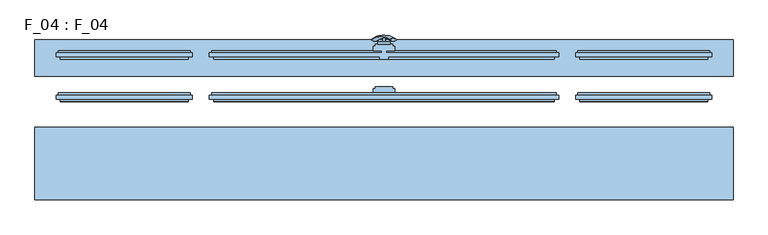
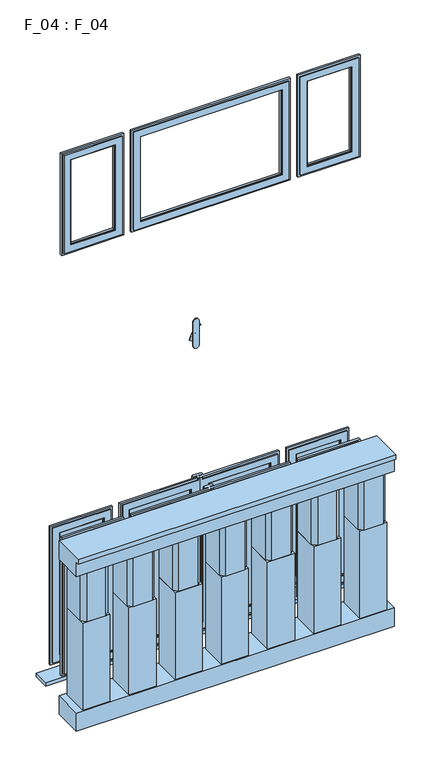
"""IFC4 building model written with IfcOpenShell, lengths in millimetres: window geometry, F_04 : F_04."""

from ifc_helpers import new_model, si_unit, point, frame, frame_2d, origin, place, context, project, spatial, polyline, circle_curve, ellipse_curve, trimmed, segment, composite_curve, outline, extrude, faceted_brep, source, transform, mapped, element, save
from ifc_brep_helpers import plane_surface, revolved_surface, advanced_brep


def f_04_f_04_a89b4778(model_context):
    return source(origin(), model_context, "Body", "SolidModel", [
        extrude(outline(polyline([(-645.0, -130.0), (-645.0, -250.0), (-665.0, -270.0), (-765.0, -270.0), (-785.0, -250.0), (-785.0, -130.0), (-645.0, -130.0)])), frame((0.0, 0.0, 1415.0), z_axis=(0.0, 0.0, 1.0), x_axis=(1.0, 0.0, 0.0)), (0.0, 0.0, 1.0), 270.0),
        extrude(outline(polyline([(-406.6666667, -130.0), (-406.6666667, -250.0), (-426.6666667, -270.0), (-526.6666667, -270.0), (-546.6666667, -250.0), (-546.6666667, -130.0), (-406.6666667, -130.0)])), frame((0.0, 0.0, 1415.0), z_axis=(0.0, 0.0, 1.0), x_axis=(1.0, 0.0, 0.0)), (0.0, 0.0, 1.0), 270.0),
        extrude(outline(polyline([(-168.3333333, -130.0), (-168.3333333, -250.0), (-188.3333333, -270.0), (-288.3333333, -270.0), (-308.3333333, -250.0), (-308.3333333, -130.0), (-168.3333333, -130.0)])), frame((0.0, 0.0, 1415.0), z_axis=(0.0, 0.0, 1.0), x_axis=(1.0, 0.0, 0.0)), (0.0, 0.0, 1.0), 270.0),
        extrude(outline(polyline([(70.0, -130.0), (70.0, -250.0), (50.0, -270.0), (-50.0, -270.0), (-70.0, -250.0), (-70.0, -130.0), (70.0, -130.0)])), frame((0.0, 0.0, 1415.0), z_axis=(0.0, 0.0, 1.0), x_axis=(1.0, 0.0, 0.0)), (0.0, 0.0, 1.0), 270.0),
        extrude(outline(polyline([(308.3333333, -130.0), (308.3333333, -250.0), (288.3333333, -270.0), (188.3333333, -270.0), (168.3333333, -250.0), (168.3333333, -130.0), (308.3333333, -130.0)])), frame((0.0, 0.0, 1415.0), z_axis=(0.0, 0.0, 1.0), x_axis=(1.0, 0.0, 0.0)), (0.0, 0.0, 1.0), 270.0),
        extrude(outline(polyline([(546.6666667, -130.0), (546.6666667, -250.0), (526.6666667, -270.0), (426.6666667, -270.0), (406.6666667, -250.0), (406.6666667, -130.0), (546.6666667, -130.0)])), frame((0.0, 0.0, 1415.0), z_axis=(0.0, 0.0, 1.0), x_axis=(1.0, 0.0, 0.0)), (0.0, 0.0, 1.0), 270.0),
        extrude(outline(polyline([(785.0, -130.0), (785.0, -250.0), (765.0, -270.0), (665.0, -270.0), (645.0, -250.0), (645.0, -130.0), (785.0, -130.0)])), frame((0.0, 0.0, 1415.0), z_axis=(0.0, 0.0, 1.0), x_axis=(1.0, 0.0, 0.0)), (0.0, 0.0, 1.0), 270.0),
        extrude(outline(polyline([(-645.0, -130.0), (-645.0, -270.0), (-785.0, -270.0), (-785.0, -130.0), (-645.0, -130.0)])), frame((0.0, 0.0, 940.0), z_axis=(0.0, 0.0, 1.0), x_axis=(1.0, 0.0, 0.0)), (0.0, 0.0, 1.0), 475.0),
        extrude(outline(polyline([(-406.6666667, -130.0), (-406.6666667, -270.0), (-546.6666667, -270.0), (-546.6666667, -130.0), (-406.6666667, -130.0)])), frame((0.0, 0.0, 940.0), z_axis=(0.0, 0.0, 1.0), x_axis=(1.0, 0.0, 0.0)), (0.0, 0.0, 1.0), 475.0),
        extrude(outline(polyline([(-168.3333333, -130.0), (-168.3333333, -270.0), (-308.3333333, -270.0), (-308.3333333, -130.0), (-168.3333333, -130.0)])), frame((0.0, 0.0, 940.0), z_axis=(0.0, 0.0, 1.0), x_axis=(1.0, 0.0, 0.0)), (0.0, 0.0, 1.0), 475.0),
        extrude(outline(polyline([(70.0, -130.0), (70.0, -270.0), (-70.0, -270.0), (-70.0, -130.0), (70.0, -130.0)])), frame((0.0, 0.0, 940.0), z_axis=(0.0, 0.0, 1.0), x_axis=(1.0, 0.0, 0.0)), (0.0, 0.0, 1.0), 475.0),
        extrude(outline(polyline([(308.3333333, -130.0), (308.3333333, -270.0), (168.3333333, -270.0), (168.3333333, -130.0), (308.3333333, -130.0)])), frame((0.0, 0.0, 940.0), z_axis=(0.0, 0.0, 1.0), x_axis=(1.0, 0.0, 0.0)), (0.0, 0.0, 1.0), 475.0),
        extrude(outline(polyline([(546.6666667, -130.0), (546.6666667, -270.0), (406.6666667, -270.0), (406.6666667, -130.0), (546.6666667, -130.0)])), frame((0.0, 0.0, 940.0), z_axis=(0.0, 0.0, 1.0), x_axis=(1.0, 0.0, 0.0)), (0.0, 0.0, 1.0), 475.0),
        extrude(outline(polyline([(785.0, -130.0), (785.0, -270.0), (645.0, -270.0), (645.0, -130.0), (785.0, -130.0)])), frame((0.0, 0.0, 940.0), z_axis=(0.0, 0.0, 1.0), x_axis=(1.0, 0.0, 0.0)), (0.0, 0.0, 1.0), 475.0),
        extrude(outline(polyline([(-120.0, 1785.0), (-120.0, 1685.0), (-275.0, 1685.0), (-275.0, 1760.0), (-290.0, 1760.0), (-290.0, 1785.0), (-120.0, 1785.0)])), frame((-820.0, 0.0, 0.0), z_axis=(1.0, 0.0, 0.0), x_axis=(0.0, 1.0, 0.0)), (0.0, 0.0, 1.0), 1640.0),
        extrude(outline(polyline([(820.0, -120.0), (820.0, -275.0), (-820.0, -275.0), (-820.0, -120.0), (820.0, -120.0)])), frame((0.0, 0.0, 840.0), z_axis=(0.0, 0.0, 1.0), x_axis=(1.0, 0.0, 0.0)), (0.0, 0.0, 1.0), 100.0),
        advanced_brep(
        [(-28.5497704, 85.2287724, 2478.0503474), (-14.693364, 85.2287724, 2470.0503474), (14.693364, 85.2287724, 2552.9496533), (28.5497704, 85.2287724, 2544.9496533)],
        [
            (0, 1, ellipse_curve(frame((-21.6215672, 85.2287724, 2474.0503474), z_axis=(-0.46984631039295827, -0.3420201433256777, -0.8137976813493676), x_axis=(0.8660254037844349, 0.0, -0.5000000000000066)), 8.0, 3.5)),
            (1, 0, ellipse_curve(frame((-21.6215672, 85.2287724, 2474.0503474), z_axis=(-0.46984631039295827, -0.3420201433256777, -0.8137976813493676), x_axis=(0.8660254037844349, 0.0, -0.5000000000000066)), 8.0, 3.5)),
            (2, 3, ellipse_curve(frame((21.6215672, 85.2287724, 2548.9496533), z_axis=(0.46984631039296154, -0.3420201433256599, 0.8137976813493732), x_axis=(0.8660254037844355, 0.0, -0.5000000000000056)), 8.0, 3.5)),
            (3, 2, ellipse_curve(frame((21.6215672, 85.2287724, 2548.9496533), z_axis=(0.46984631039296154, -0.3420201433256599, 0.8137976813493732), x_axis=(0.8660254037844355, 0.0, -0.5000000000000056)), 8.0, 3.5)),
            (2, 0, circle_curve(frame((-6.9282032, -33.580763, 2515.5000003), z_axis=(-0.8660254037844353, 0.0, 0.500000000000006), x_axis=(-0.1710100716628409, 0.9396926207859051, -0.29619813272603046)), 126.4344667)),
            (1, 3, circle_curve(frame((6.9282032, -33.580763, 2507.5000003), z_axis=(0.8660254037844353, 0.0, -0.500000000000006), x_axis=(-0.1710100716628409, 0.9396926207859051, -0.29619813272603046)), 126.4344667)),
        ],
        [
            plane_surface(frame((40.0926994, 82.5471681, 2439.5466146), z_axis=(-0.4698463103929582, -0.34202014332567776, -0.8137976813493677), x_axis=(-0.8660254037844352, 0.0, 0.500000000000006))),
            plane_surface(frame((82.3598097, 82.5471681, 2512.755397), z_axis=(0.4698463103929615, -0.34202014332565983, 0.8137976813493734), x_axis=(-0.8660254037844352, 0.0, 0.500000000000006))),
            revolved_surface(trimmed(ellipse_curve(frame((-21.6215672, 85.2287724, 2474.0503474), z_axis=(0.46984631039295827, 0.3420201433256777, 0.8137976813493676), x_axis=(0.8660254037844349, 0.0, -0.5000000000000066)), 8.0, 3.5), [point((-28.5497704, 85.2287724, 2478.0503474))], [point((-14.693364, 85.2287724, 2470.0503474))], True, "CARTESIAN"), (61.2262546, -33.580763, 2476.1510058), (-0.8660254037844353, 0.0, 0.500000000000006)),
            revolved_surface(trimmed(ellipse_curve(frame((-21.6215672, 85.2287724, 2474.0503474), z_axis=(0.46984631039295827, 0.3420201433256777, 0.8137976813493676), x_axis=(0.8660254037844349, 0.0, -0.5000000000000066)), 8.0, 3.5), [point((-14.693364, 85.2287724, 2470.0503474))], [point((-28.5497704, 85.2287724, 2478.0503474))], True, "CARTESIAN"), (61.2262546, -33.580763, 2476.1510058), (-0.8660254037844353, 0.0, 0.500000000000006)),
        ],
        [
            (0, [[1, 2]]),
            (1, [[3, 4]]),
            (2, [[-3, 5, -2, 6]]),
            (3, [[-4, -6, -1, -5]]),
        ],
    ),
        extrude(outline(composite_curve([segment(trimmed(circle_curve(frame_2d((2511.5000003, 0.0)), 3.5), [point((2511.5000003, -3.5))], [point((2511.5000003, 3.5))], False, "CARTESIAN"), True, "CONTINUOUS"), segment(trimmed(circle_curve(frame_2d((2511.5000003, 0.0)), 3.5), [point((2511.5000003, 3.5))], [point((2511.5000003, -3.5))], False, "CARTESIAN"), True, "CONTINUOUS")], self_intersect=False)), frame((0.0, 80.0, 0.0), z_axis=(0.0, 1.0, 0.0), x_axis=(0.0, 0.0, 1.0)), (0.0, 0.0, 1.0), 10.0),
        extrude(outline(composite_curve([segment(polyline([(2575.8020112, -15.0), (2445.8020112, -15.0)]), True, "CONTINUOUS"), segment(trimmed(circle_curve(frame_2d((2445.8020112, 0.0)), 15.0), [point((2445.8020112, -15.0))], [point((2445.8020112, 15.0))], False, "CARTESIAN"), True, "CONTINUOUS"), segment(polyline([(2445.8020112, 15.0), (2575.8020112, 15.0)]), True, "CONTINUOUS"), segment(trimmed(circle_curve(frame_2d((2575.8020112, 0.0)), 15.0), [point((2575.8020112, 15.0))], [point((2575.8020112, -15.0))], False, "CARTESIAN"), True, "CONTINUOUS")], self_intersect=False)), frame((0.0, 75.0, 0.0), z_axis=(0.0, 1.0, 0.0), x_axis=(0.0, 0.0, 1.0)), (0.0, 0.0, 1.0), 5.0),
        advanced_brep(
        [(-28.5497704, 85.2287724, 1330.5503474), (-14.693364, 85.2287724, 1322.5503474), (14.693364, 85.2287724, 1405.4496533), (28.5497704, 85.2287724, 1397.4496533)],
        [
            (0, 1, ellipse_curve(frame((-21.6215672, 85.2287724, 1326.5503474), z_axis=(-0.46984631039295827, -0.3420201433256777, -0.8137976813493676), x_axis=(0.8660254037844349, 0.0, -0.5000000000000066)), 8.0, 3.5)),
            (1, 0, ellipse_curve(frame((-21.6215672, 85.2287724, 1326.5503474), z_axis=(-0.46984631039295827, -0.3420201433256777, -0.8137976813493676), x_axis=(0.8660254037844349, 0.0, -0.5000000000000066)), 8.0, 3.5)),
            (2, 3, ellipse_curve(frame((21.6215672, 85.2287724, 1401.4496533), z_axis=(0.46984631039296154, -0.3420201433256599, 0.8137976813493732), x_axis=(0.8660254037844355, 0.0, -0.5000000000000056)), 8.0, 3.5)),
            (3, 2, ellipse_curve(frame((21.6215672, 85.2287724, 1401.4496533), z_axis=(0.46984631039296154, -0.3420201433256599, 0.8137976813493732), x_axis=(0.8660254037844355, 0.0, -0.5000000000000056)), 8.0, 3.5)),
            (2, 0, circle_curve(frame((-6.9282032, -33.580763, 1368.0000003), z_axis=(-0.8660254037844353, 0.0, 0.500000000000006), x_axis=(-0.1710100716628409, 0.9396926207859051, -0.29619813272603046)), 126.4344667)),
            (1, 3, circle_curve(frame((6.9282032, -33.580763, 1360.0000003), z_axis=(0.8660254037844353, 0.0, -0.500000000000006), x_axis=(-0.1710100716628409, 0.9396926207859051, -0.29619813272603046)), 126.4344667)),
        ],
        [
            plane_surface(frame((40.0926994, 82.5471681, 1292.0466146), z_axis=(-0.4698463103929582, -0.34202014332567776, -0.8137976813493677), x_axis=(-0.8660254037844352, 0.0, 0.500000000000006))),
            plane_surface(frame((82.3598097, 82.5471681, 1365.255397), z_axis=(0.4698463103929615, -0.34202014332565983, 0.8137976813493734), x_axis=(-0.8660254037844352, 0.0, 0.500000000000006))),
            revolved_surface(trimmed(ellipse_curve(frame((-21.6215672, 85.2287724, 1326.5503474), z_axis=(0.46984631039295827, 0.3420201433256777, 0.8137976813493676), x_axis=(0.8660254037844349, 0.0, -0.5000000000000066)), 8.0, 3.5), [point((-28.5497704, 85.2287724, 1330.5503474))], [point((-14.693364, 85.2287724, 1322.5503474))], True, "CARTESIAN"), (61.2262546, -33.580763, 1328.6510058), (-0.8660254037844353, 0.0, 0.500000000000006)),
            revolved_surface(trimmed(ellipse_curve(frame((-21.6215672, 85.2287724, 1326.5503474), z_axis=(0.46984631039295827, 0.3420201433256777, 0.8137976813493676), x_axis=(0.8660254037844349, 0.0, -0.5000000000000066)), 8.0, 3.5), [point((-14.693364, 85.2287724, 1322.5503474))], [point((-28.5497704, 85.2287724, 1330.5503474))], True, "CARTESIAN"), (61.2262546, -33.580763, 1328.6510058), (-0.8660254037844353, 0.0, 0.500000000000006)),
        ],
        [
            (0, [[1, 2]]),
            (1, [[3, 4]]),
            (2, [[-3, 5, -2, 6]]),
            (3, [[-4, -6, -1, -5]]),
        ],
    ),
        extrude(outline(composite_curve([segment(trimmed(circle_curve(frame_2d((1364.0000003, 0.0)), 3.5), [point((1364.0000003, -3.5))], [point((1364.0000003, 3.5))], False, "CARTESIAN"), True, "CONTINUOUS"), segment(trimmed(circle_curve(frame_2d((1364.0000003, 0.0)), 3.5), [point((1364.0000003, 3.5))], [point((1364.0000003, -3.5))], False, "CARTESIAN"), True, "CONTINUOUS")], self_intersect=False)), frame((0.0, 80.0, 0.0), z_axis=(0.0, 1.0, 0.0), x_axis=(0.0, 0.0, 1.0)), (0.0, 0.0, 1.0), 10.0),
        extrude(outline(composite_curve([segment(polyline([(1428.3020112, -15.0), (1298.3020112, -15.0)]), True, "CONTINUOUS"), segment(trimmed(circle_curve(frame_2d((1298.3020112, 0.0)), 15.0), [point((1298.3020112, -15.0))], [point((1298.3020112, 15.0))], False, "CARTESIAN"), True, "CONTINUOUS"), segment(polyline([(1298.3020112, 15.0), (1428.3020112, 15.0)]), True, "CONTINUOUS"), segment(trimmed(circle_curve(frame_2d((1428.3020112, 0.0)), 15.0), [point((1428.3020112, 15.0))], [point((1428.3020112, -15.0))], False, "CARTESIAN"), True, "CONTINUOUS")], self_intersect=False)), frame((0.0, 75.0, 0.0), z_axis=(0.0, 1.0, 0.0), x_axis=(0.0, 0.0, 1.0)), (0.0, 0.0, 1.0), 5.0),
        faceted_brep([(45.0, -55.0, 1035.0000003), (45.0, -55.0, 1700.0000003), (45.0, -60.0, 1700.0000003), (45.0, -60.0, 1035.0000003), (50.0, -45.0, 1040.0000003), (50.0, -45.0, 1695.0000003), (50.0, -55.0, 1695.0000003), (50.0, -55.0, 1040.0000003), (45.0, -40.0, 1035.0000003), (45.0, -40.0, 1700.0000003), (45.0, -45.0, 1700.0000003), (45.0, -45.0, 1035.0000003), (9.9999997, -55.0, 1735.0000003), (9.9999997, -60.0, 1735.0000003), (400.0, -60.0, 1735.0000003), (400.0, -55.0, 1735.0000003), (365.0, -55.0, 1700.0000003), (365.0, -60.0, 1700.0000003), (360.0, -45.0, 1695.0000003), (360.0, -55.0, 1695.0000003), (365.0, -40.0, 1700.0000003), (365.0, -45.0, 1700.0000003), (405.0, -40.0, 1740.0000003), (25.0, -40.0, 1740.0000003), (5.0, -40.0, 1740.0000003), (4.9999997, -45.0, 1740.0000003), (405.0, -45.0, 1740.0000003), (410.0, -45.0, 1745.0000003), (4.9999997, -45.0, 1745.0000003), (4.9999997, -40.0, 1745.0000003), (25.0, -40.0, 1745.0000003), (25.0, -30.0, 1745.0000003), (20.0, -30.0, 1745.0000003), (20.0, -25.0, 1745.0000003), (-20.0, -25.0, 1745.0000003), (-20.0, -30.0, 1745.0000003), (-25.0, -30.0, 1745.0000003), (-25.0, -40.0, 1745.0000003), (-4.9999997, -40.0, 1745.0000003), (-4.9999997, -45.0, 1745.0000003), (-409.9999998, -45.0, 1745.0000003), (-409.9999998, -55.0, 1745.0000003), (-9.9999997, -55.0, 1745.0000003), (-9.9999997, -60.0, 1745.0000003), (-0.5, -60.0, 1745.0000003), (-0.5, -55.0, 1745.0000003), (0.5, -55.0, 1745.0000003), (0.5, -60.0, 1745.0000003), (9.9999997, -60.0, 1745.0000003), (9.9999997, -55.0, 1745.0000003), (410.0, -55.0, 1745.0000003), (400.0, -60.0, 1000.0000003), (400.0, -55.0, 1000.0000003), (365.0, -55.0, 1035.0000003), (365.0, -60.0, 1035.0000003), (360.0, -45.0, 1040.0000003), (360.0, -55.0, 1040.0000003), (365.0, -40.0, 1035.0000003), (365.0, -45.0, 1035.0000003), (405.0, -45.0, 995.0000003), (405.0, -40.0, 995.0000003), (410.0, -55.0, 990.0000003), (410.0, -45.0, 990.0000003), (10.0, -55.0, 1000.0000003), (9.9999997, -55.0, 990.0000003), (-9.9999997, -55.0, 1734.9999997), (-409.9999998, -55.0, 990.0000002), (-9.9999997, -55.0, 990.0000003), (-9.9999997, -55.0, 1000.0000003), (-399.9999997, -55.0, 1000.0000003), (-399.9999997, -55.0, 1734.9999997), (-0.5, -55.0, 990.0000003), (0.5, -55.0, 990.0000003), (10.0, -60.0, 1000.0000003), (0.5, -60.0, 990.0000003), (9.9999997, -60.0, 990.0000003), (25.0, -40.0, 995.0000003), (5.0, -45.0, 995.0000003), (4.9999997, -40.0, 995.0000003), (4.9999997, -45.0, 990.0000003), (-0.5, -60.0, 990.0000003), (-9.9999997, -60.0, 990.0000003), (-409.9999998, -45.0, 990.0000003), (-4.9999997, -45.0, 990.0000003), (-4.9999997, -40.0, 990.0000003), (-25.0, -40.0, 990.0000003), (-25.0, -30.0, 990.0000003), (-20.0, -30.0, 990.0000003), (-20.0, -25.0, 990.0000003), (20.0, -25.0, 990.0000003), (20.0, -30.0, 990.0000003), (25.0, -30.0, 990.0000003), (25.0, -40.0, 990.0000003), (4.9999997, -40.0, 990.0000003), (-9.9999997, -60.0, 1734.9999997), (-399.9999997, -60.0, 1734.9999997), (-399.9999997, -60.0, 1000.0000003), (-10.0000003, -60.0, 1000.0000003), (-45.0000003, -60.0, 1035.0000003), (-364.9999997, -60.0, 1035.0000003), (-364.9999997, -60.0, 1699.9999997), (-45.0000003, -60.0, 1699.9999997), (-4.9999997, -40.0, 1739.9999997), (-4.9999997, -45.0, 1739.9999997), (-4.9999997, -45.0, 995.0000003), (-4.9999997, -40.0, 995.0000003), (-25.0, -40.0, 995.0000003), (-25.0, -40.0, 1739.9999997), (-45.0000003, -55.0, 1699.9999997), (-45.0000003, -55.0, 1035.0000003), (-50.0000003, -55.0, 1040.0000003), (-50.0000003, -55.0, 1694.9999997), (-50.0000003, -45.0, 1694.9999997), (-50.0000003, -45.0, 1040.0000003), (-45.0000003, -45.0, 1035.0000003), (-45.0000003, -45.0, 1699.9999997), (-45.0000003, -40.0, 1699.9999997), (-45.0000003, -40.0, 1035.0000003), (-364.9999997, -55.0, 1699.9999997), (-359.9999997, -55.0, 1694.9999997), (-359.9999997, -45.0, 1694.9999997), (-364.9999997, -45.0, 1699.9999997), (-364.9999997, -40.0, 1699.9999997), (-404.9999997, -40.0, 1739.9999997), (-404.9999997, -45.0, 1739.9999997), (-364.9999997, -55.0, 1035.0000003), (-359.9999997, -55.0, 1040.0000003), (-359.9999997, -45.0, 1040.0000003), (-364.9999997, -45.0, 1035.0000003), (-364.9999997, -40.0, 1035.0000003), (-404.9999997, -40.0, 995.0000003), (-404.9999997, -45.0, 995.0000003)], [[[0, 1, 2, 3]], [[4, 5, 6, 7]], [[8, 9, 10, 11]], [[12, 13, 14, 15]], [[1, 16, 17, 2]], [[5, 18, 19, 6]], [[9, 20, 21, 10]], [[22, 23, 24, 25, 26]], [[27, 28, 29, 30, 31, 32, 33, 34, 35, 36, 37, 38, 39, 40, 41, 42, 43, 44, 45, 46, 47, 48, 49, 50]], [[14, 51, 52, 15]], [[16, 53, 54, 17]], [[18, 55, 56, 19]], [[20, 57, 58, 21]], [[26, 59, 60, 22]], [[50, 61, 62, 27]], [[15, 52, 63, 64, 61, 50, 49, 12]], [[65, 42, 41, 66, 67, 68, 69, 70]], [[45, 71, 72, 46]], [[51, 73, 63, 52]], [[13, 48, 47, 74, 75, 73, 51, 14], [2, 17, 54, 3]], [[3, 54, 53, 0]], [[0, 53, 16, 1], [6, 19, 56, 7]], [[7, 56, 55, 4]], [[10, 21, 58, 11], [4, 55, 18, 5]], [[11, 58, 57, 8]], [[60, 76, 23, 22], [8, 57, 20, 9]], [[59, 77, 78, 76, 60]], [[25, 28, 27, 62, 79, 77, 59, 26]], [[61, 64, 75, 74, 72, 71, 80, 81, 67, 66, 82, 83, 84, 85, 86, 87, 88, 89, 90, 91, 92, 93, 79, 62]], [[43, 94, 95, 96, 97, 81, 80, 44], [98, 99, 100, 101]], [[42, 65, 94, 43]], [[81, 97, 68, 67]], [[44, 80, 71, 45]], [[46, 72, 74, 47]], [[64, 63, 73, 75]], [[48, 13, 12, 49]], [[38, 102, 103, 39]], [[83, 104, 105, 84]], [[84, 105, 106, 85]], [[37, 107, 102, 38]], [[36, 86, 85, 106, 107, 37]], [[35, 87, 86, 36]], [[34, 88, 87, 35]], [[33, 89, 88, 34]], [[32, 90, 89, 33]], [[31, 91, 90, 32]], [[30, 23, 76, 92, 91, 31]], [[92, 76, 78, 93]], [[29, 24, 23, 30]], [[28, 25, 24, 29]], [[93, 78, 77, 79]], [[98, 101, 108, 109]], [[110, 111, 112, 113]], [[114, 115, 116, 117]], [[94, 65, 70, 95]], [[101, 100, 118, 108]], [[111, 119, 120, 112]], [[115, 121, 122, 116]], [[103, 102, 107, 123, 124]], [[70, 69, 96, 95]], [[100, 99, 125, 118]], [[119, 126, 127, 120]], [[121, 128, 129, 122]], [[123, 130, 131, 124]], [[40, 82, 66, 41]], [[69, 68, 97, 96]], [[109, 125, 99, 98]], [[108, 118, 125, 109], [110, 126, 119, 111]], [[113, 127, 126, 110]], [[114, 128, 121, 115], [112, 120, 127, 113]], [[117, 129, 128, 114]], [[123, 107, 106, 130], [116, 122, 129, 117]], [[130, 106, 105, 104, 131]], [[124, 131, 104, 83, 82, 40, 39, 103]]]),
        extrude(outline(polyline([(-499.9999997, -48.0), (-499.9999997, -52.0), (-720.0, -52.0), (-720.0, -48.0), (-499.9999997, -48.0)])), frame((0.0, 0.0, 1040.0), z_axis=(0.0, 0.0, 1.0), x_axis=(1.0, 0.0, 0.0)), (0.0, 0.0, 1.0), 655.0000007),
        extrude(outline(polyline([(-50.0000003, -48.0), (-50.0000003, -52.0), (-359.9999997, -52.0), (-359.9999997, -48.0), (-50.0000003, -48.0)])), frame((0.0, 0.0, 1040.0000003), z_axis=(0.0, 0.0, 1.0), x_axis=(1.0, 0.0, 0.0)), (0.0, 0.0, 1.0), 654.9999993),
        extrude(outline(polyline([(360.0, -48.0), (360.0, -52.0), (50.0, -52.0), (50.0, -48.0), (360.0, -48.0)])), frame((0.0, 0.0, 1040.0000003), z_axis=(0.0, 0.0, 1.0), x_axis=(1.0, 0.0, 0.0)), (0.0, 0.0, 1.0), 655.0),
        extrude(outline(polyline([(720.0, -48.0), (720.0, -52.0), (499.9999997, -52.0), (499.9999997, -48.0), (720.0, -48.0)])), frame((0.0, 0.0, 1040.0), z_axis=(0.0, 0.0, 1.0), x_axis=(1.0, 0.0, 0.0)), (0.0, 0.0, 1.0), 655.0000007),
        faceted_brep([(459.9999997, -60.0, 1000.0), (459.9999997, -60.0, 1735.0000007), (459.9999997, -55.0, 1735.0000007), (459.9999997, -55.0, 1000.0), (494.9999997, -55.0, 1035.0), (494.9999997, -55.0, 1700.0000007), (494.9999997, -60.0, 1700.0000007), (494.9999997, -60.0, 1035.0), (499.9999997, -45.0, 1040.0), (499.9999997, -45.0, 1695.0000007), (499.9999997, -55.0, 1695.0000007), (499.9999997, -55.0, 1040.0), (494.9999997, -40.0, 1035.0), (494.9999997, -40.0, 1700.0000007), (494.9999997, -45.0, 1700.0000007), (494.9999997, -45.0, 1035.0), (454.9999997, -45.0, 995.0), (454.9999997, -45.0, 1740.0000007), (454.9999997, -40.0, 1740.0000007), (454.9999997, -40.0, 995.0), (449.9999997, -55.0, 990.0), (449.9999997, -55.0, 1745.0000007), (449.9999997, -45.0, 1745.0000007), (449.9999997, -45.0, 990.0), (760.0, -60.0, 1735.0000007), (760.0, -55.0, 1735.0000007), (725.0, -55.0, 1700.0000007), (725.0, -60.0, 1700.0000007), (720.0, -45.0, 1695.0000007), (720.0, -55.0, 1695.0000007), (725.0, -40.0, 1700.0000007), (725.0, -45.0, 1700.0000007), (765.0, -45.0, 1740.0000007), (765.0, -40.0, 1740.0000007), (770.0, -55.0, 1745.0000007), (770.0, -45.0, 1745.0000007), (760.0, -60.0, 1000.0), (760.0, -55.0, 1000.0), (725.0, -55.0, 1035.0), (725.0, -60.0, 1035.0), (720.0, -45.0, 1040.0), (720.0, -55.0, 1040.0), (725.0, -40.0, 1035.0), (725.0, -45.0, 1035.0), (765.0, -45.0, 995.0), (765.0, -40.0, 995.0), (770.0, -55.0, 990.0), (770.0, -45.0, 990.0)], [[[0, 1, 2, 3]], [[4, 5, 6, 7]], [[8, 9, 10, 11]], [[12, 13, 14, 15]], [[16, 17, 18, 19]], [[20, 21, 22, 23]], [[1, 24, 25, 2]], [[5, 26, 27, 6]], [[9, 28, 29, 10]], [[13, 30, 31, 14]], [[17, 32, 33, 18]], [[21, 34, 35, 22]], [[24, 36, 37, 25]], [[26, 38, 39, 27]], [[28, 40, 41, 29]], [[30, 42, 43, 31]], [[32, 44, 45, 33]], [[34, 46, 47, 35]], [[21, 20, 46, 34], [3, 2, 25, 37]], [[36, 0, 3, 37]], [[1, 0, 36, 24], [7, 6, 27, 39]], [[38, 4, 7, 39]], [[5, 4, 38, 26], [11, 10, 29, 41]], [[40, 8, 11, 41]], [[15, 14, 31, 43], [9, 8, 40, 28]], [[42, 12, 15, 43]], [[19, 18, 33, 45], [13, 12, 42, 30]], [[44, 16, 19, 45]], [[23, 22, 35, 47], [17, 16, 44, 32]], [[46, 20, 23, 47]]]),
        faceted_brep([(-459.9999997, -55.0, 1000.0), (-459.9999997, -55.0, 1735.0000007), (-459.9999997, -60.0, 1735.0000007), (-459.9999997, -60.0, 1000.0), (-494.9999997, -60.0, 1035.0), (-494.9999997, -60.0, 1700.0000007), (-494.9999997, -55.0, 1700.0000007), (-494.9999997, -55.0, 1035.0), (-499.9999997, -55.0, 1040.0), (-499.9999997, -55.0, 1695.0000007), (-499.9999997, -45.0, 1695.0000007), (-499.9999997, -45.0, 1040.0), (-494.9999997, -45.0, 1035.0), (-494.9999997, -45.0, 1700.0000007), (-494.9999997, -40.0, 1700.0000007), (-494.9999997, -40.0, 1035.0), (-454.9999997, -40.0, 995.0), (-454.9999997, -40.0, 1740.0000007), (-454.9999997, -45.0, 1740.0000007), (-454.9999997, -45.0, 995.0), (-449.9999997, -45.0, 990.0), (-449.9999997, -45.0, 1745.0000007), (-449.9999997, -55.0, 1745.0000007), (-449.9999997, -55.0, 990.0), (-760.0, -55.0, 1735.0000007), (-760.0, -60.0, 1735.0000007), (-725.0, -60.0, 1700.0000007), (-725.0, -55.0, 1700.0000007), (-720.0, -55.0, 1695.0000007), (-720.0, -45.0, 1695.0000007), (-725.0, -45.0, 1700.0000007), (-725.0, -40.0, 1700.0000007), (-765.0, -40.0, 1740.0000007), (-765.0, -45.0, 1740.0000007), (-770.0, -45.0, 1745.0000007), (-770.0, -55.0, 1745.0000007), (-760.0, -55.0, 1000.0), (-760.0, -60.0, 1000.0), (-725.0, -60.0, 1035.0), (-725.0, -55.0, 1035.0), (-720.0, -55.0, 1040.0), (-720.0, -45.0, 1040.0), (-725.0, -45.0, 1035.0), (-725.0, -40.0, 1035.0), (-765.0, -40.0, 995.0), (-765.0, -45.0, 995.0), (-770.0, -45.0, 990.0), (-770.0, -55.0, 990.0)], [[[0, 1, 2, 3]], [[4, 5, 6, 7]], [[8, 9, 10, 11]], [[12, 13, 14, 15]], [[16, 17, 18, 19]], [[20, 21, 22, 23]], [[1, 24, 25, 2]], [[5, 26, 27, 6]], [[9, 28, 29, 10]], [[13, 30, 31, 14]], [[17, 32, 33, 18]], [[21, 34, 35, 22]], [[24, 36, 37, 25]], [[26, 38, 39, 27]], [[28, 40, 41, 29]], [[30, 42, 43, 31]], [[32, 44, 45, 33]], [[34, 46, 47, 35]], [[23, 22, 35, 47], [1, 0, 36, 24]], [[36, 0, 3, 37]], [[3, 2, 25, 37], [5, 4, 38, 26]], [[38, 4, 7, 39]], [[7, 6, 27, 39], [9, 8, 40, 28]], [[40, 8, 11, 41]], [[13, 12, 42, 30], [11, 10, 29, 41]], [[42, 12, 15, 43]], [[17, 16, 44, 32], [15, 14, 31, 43]], [[44, 16, 19, 45]], [[21, 20, 46, 34], [19, 18, 33, 45]], [[46, 20, 23, 47]]]),
        faceted_brep([(45.0, 45.0, 1035.0000003), (45.0, 45.0, 1700.0000003), (45.0, 40.0, 1700.0000003), (45.0, 40.0, 1035.0000003), (50.0, 55.0, 1040.0000003), (50.0, 55.0, 1695.0000003), (50.0, 45.0, 1695.0000003), (50.0, 45.0, 1040.0000003), (45.0, 60.0, 1035.0000003), (45.0, 60.0, 1700.0000003), (45.0, 55.0, 1700.0000003), (45.0, 55.0, 1035.0000003), (9.9999997, 45.0, 1735.0000003), (9.9999997, 40.0, 1735.0000003), (400.0, 40.0, 1735.0000003), (400.0, 45.0, 1735.0000003), (365.0, 45.0, 1700.0000003), (365.0, 40.0, 1700.0000003), (360.0, 55.0, 1695.0000003), (360.0, 45.0, 1695.0000003), (365.0, 60.0, 1700.0000003), (365.0, 55.0, 1700.0000003), (405.0, 60.0, 1740.0000003), (25.0, 60.0, 1740.0000003), (5.0, 60.0, 1740.0000003), (4.9999997, 55.0, 1740.0000003), (405.0, 55.0, 1740.0000003), (410.0, 55.0, 1745.0000003), (4.9999997, 55.0, 1745.0000003), (4.9999997, 60.0, 1745.0000003), (25.0, 60.0, 1745.0000003), (25.0, 70.0, 1745.0000003), (20.0, 70.0, 1745.0000003), (20.0, 75.0, 1745.0000003), (-20.0, 75.0, 1745.0000003), (-20.0, 70.0, 1745.0000003), (-25.0, 70.0, 1745.0000003), (-25.0, 60.0, 1745.0000003), (-4.9999997, 60.0, 1745.0000003), (-4.9999997, 55.0, 1745.0000003), (-409.9999998, 55.0, 1745.0000003), (-409.9999998, 45.0, 1745.0000003), (-9.9999997, 45.0, 1745.0000003), (-9.9999997, 40.0, 1745.0000003), (-0.5, 40.0, 1745.0000003), (-0.5, 45.0, 1745.0000003), (0.5, 45.0, 1745.0000003), (0.5, 40.0, 1745.0000003), (9.9999997, 40.0, 1745.0000003), (9.9999997, 45.0, 1745.0000003), (410.0, 45.0, 1745.0000003), (400.0, 40.0, 1000.0000003), (400.0, 45.0, 1000.0000003), (365.0, 45.0, 1035.0000003), (365.0, 40.0, 1035.0000003), (360.0, 55.0, 1040.0000003), (360.0, 45.0, 1040.0000003), (365.0, 60.0, 1035.0000003), (365.0, 55.0, 1035.0000003), (405.0, 55.0, 995.0000003), (405.0, 60.0, 995.0000003), (410.0, 45.0, 990.0000003), (410.0, 55.0, 990.0000003), (10.0, 45.0, 1000.0000003), (9.9999997, 45.0, 990.0000003), (-9.9999997, 45.0, 1734.9999997), (-409.9999998, 45.0, 990.0000002), (-9.9999997, 45.0, 990.0000003), (-9.9999997, 45.0, 1000.0000003), (-399.9999997, 45.0, 1000.0000003), (-399.9999997, 45.0, 1734.9999997), (-0.5, 45.0, 990.0000003), (0.5, 45.0, 990.0000003), (10.0, 40.0, 1000.0000003), (0.5, 40.0, 990.0000003), (9.9999997, 40.0, 990.0000003), (25.0, 60.0, 995.0000003), (5.0, 55.0, 995.0000003), (4.9999997, 60.0, 995.0000003), (4.9999997, 55.0, 990.0000003), (-0.5, 40.0, 990.0000003), (-9.9999997, 40.0, 990.0000003), (-409.9999998, 55.0, 990.0000003), (-4.9999997, 55.0, 990.0000003), (-4.9999997, 60.0, 990.0000003), (-25.0, 60.0, 990.0000003), (-25.0, 70.0, 990.0000003), (-20.0, 70.0, 990.0000003), (-20.0, 75.0, 990.0000003), (20.0, 75.0, 990.0000003), (20.0, 70.0, 990.0000003), (25.0, 70.0, 990.0000003), (25.0, 60.0, 990.0000003), (4.9999997, 60.0, 990.0000003), (-9.9999997, 40.0, 1734.9999997), (-399.9999997, 40.0, 1734.9999997), (-399.9999997, 40.0, 1000.0000003), (-10.0000003, 40.0, 1000.0000003), (-45.0000003, 40.0, 1035.0000003), (-364.9999997, 40.0, 1035.0000003), (-364.9999997, 40.0, 1699.9999997), (-45.0000003, 40.0, 1699.9999997), (-4.9999997, 60.0, 1739.9999997), (-4.9999997, 55.0, 1739.9999997), (-4.9999997, 55.0, 995.0000003), (-4.9999997, 60.0, 995.0000003), (-25.0, 60.0, 995.0000003), (-25.0, 60.0, 1739.9999997), (-45.0000003, 45.0, 1699.9999997), (-45.0000003, 45.0, 1035.0000003), (-50.0000003, 45.0, 1040.0000003), (-50.0000003, 45.0, 1694.9999997), (-50.0000003, 55.0, 1694.9999997), (-50.0000003, 55.0, 1040.0000003), (-45.0000003, 55.0, 1035.0000003), (-45.0000003, 55.0, 1699.9999997), (-45.0000003, 60.0, 1699.9999997), (-45.0000003, 60.0, 1035.0000003), (-364.9999997, 45.0, 1699.9999997), (-359.9999997, 45.0, 1694.9999997), (-359.9999997, 55.0, 1694.9999997), (-364.9999997, 55.0, 1699.9999997), (-364.9999997, 60.0, 1699.9999997), (-404.9999997, 60.0, 1739.9999997), (-404.9999997, 55.0, 1739.9999997), (-364.9999997, 45.0, 1035.0000003), (-359.9999997, 45.0, 1040.0000003), (-359.9999997, 55.0, 1040.0000003), (-364.9999997, 55.0, 1035.0000003), (-364.9999997, 60.0, 1035.0000003), (-404.9999997, 60.0, 995.0000003), (-404.9999997, 55.0, 995.0000003)], [[[0, 1, 2, 3]], [[4, 5, 6, 7]], [[8, 9, 10, 11]], [[12, 13, 14, 15]], [[1, 16, 17, 2]], [[5, 18, 19, 6]], [[9, 20, 21, 10]], [[22, 23, 24, 25, 26]], [[27, 28, 29, 30, 31, 32, 33, 34, 35, 36, 37, 38, 39, 40, 41, 42, 43, 44, 45, 46, 47, 48, 49, 50]], [[14, 51, 52, 15]], [[16, 53, 54, 17]], [[18, 55, 56, 19]], [[20, 57, 58, 21]], [[26, 59, 60, 22]], [[50, 61, 62, 27]], [[15, 52, 63, 64, 61, 50, 49, 12]], [[65, 42, 41, 66, 67, 68, 69, 70]], [[45, 71, 72, 46]], [[51, 73, 63, 52]], [[13, 48, 47, 74, 75, 73, 51, 14], [2, 17, 54, 3]], [[3, 54, 53, 0]], [[0, 53, 16, 1], [6, 19, 56, 7]], [[7, 56, 55, 4]], [[10, 21, 58, 11], [4, 55, 18, 5]], [[11, 58, 57, 8]], [[60, 76, 23, 22], [8, 57, 20, 9]], [[59, 77, 78, 76, 60]], [[25, 28, 27, 62, 79, 77, 59, 26]], [[61, 64, 75, 74, 72, 71, 80, 81, 67, 66, 82, 83, 84, 85, 86, 87, 88, 89, 90, 91, 92, 93, 79, 62]], [[43, 94, 95, 96, 97, 81, 80, 44], [98, 99, 100, 101]], [[42, 65, 94, 43]], [[81, 97, 68, 67]], [[44, 80, 71, 45]], [[46, 72, 74, 47]], [[64, 63, 73, 75]], [[48, 13, 12, 49]], [[38, 102, 103, 39]], [[83, 104, 105, 84]], [[84, 105, 106, 85]], [[37, 107, 102, 38]], [[36, 86, 85, 106, 107, 37]], [[35, 87, 86, 36]], [[34, 88, 87, 35]], [[33, 89, 88, 34]], [[32, 90, 89, 33]], [[31, 91, 90, 32]], [[30, 23, 76, 92, 91, 31]], [[92, 76, 78, 93]], [[29, 24, 23, 30]], [[28, 25, 24, 29]], [[93, 78, 77, 79]], [[98, 101, 108, 109]], [[110, 111, 112, 113]], [[114, 115, 116, 117]], [[94, 65, 70, 95]], [[101, 100, 118, 108]], [[111, 119, 120, 112]], [[115, 121, 122, 116]], [[103, 102, 107, 123, 124]], [[70, 69, 96, 95]], [[100, 99, 125, 118]], [[119, 126, 127, 120]], [[121, 128, 129, 122]], [[123, 130, 131, 124]], [[40, 82, 66, 41]], [[69, 68, 97, 96]], [[109, 125, 99, 98]], [[108, 118, 125, 109], [110, 126, 119, 111]], [[113, 127, 126, 110]], [[114, 128, 121, 115], [112, 120, 127, 113]], [[117, 129, 128, 114]], [[123, 107, 106, 130], [116, 122, 129, 117]], [[130, 106, 105, 104, 131]], [[124, 131, 104, 83, 82, 40, 39, 103]]]),
        extrude(outline(polyline([(-499.9999997, 52.0), (-499.9999997, 48.0), (-720.0, 48.0), (-720.0, 52.0), (-499.9999997, 52.0)])), frame((0.0, 0.0, 1040.0), z_axis=(0.0, 0.0, 1.0), x_axis=(1.0, 0.0, 0.0)), (0.0, 0.0, 1.0), 655.0000007),
        extrude(outline(polyline([(-50.0000003, 52.0), (-50.0000003, 48.0), (-359.9999997, 48.0), (-359.9999997, 52.0), (-50.0000003, 52.0)])), frame((0.0, 0.0, 1040.0000003), z_axis=(0.0, 0.0, 1.0), x_axis=(1.0, 0.0, 0.0)), (0.0, 0.0, 1.0), 654.9999993),
        extrude(outline(polyline([(360.0, 52.0), (360.0, 48.0), (50.0, 48.0), (50.0, 52.0), (360.0, 52.0)])), frame((0.0, 0.0, 1040.0000003), z_axis=(0.0, 0.0, 1.0), x_axis=(1.0, 0.0, 0.0)), (0.0, 0.0, 1.0), 655.0),
        extrude(outline(polyline([(720.0, 52.0), (720.0, 48.0), (499.9999997, 48.0), (499.9999997, 52.0), (720.0, 52.0)])), frame((0.0, 0.0, 1040.0), z_axis=(0.0, 0.0, 1.0), x_axis=(1.0, 0.0, 0.0)), (0.0, 0.0, 1.0), 655.0000007),
        faceted_brep([(459.9999997, 40.0, 1000.0), (459.9999997, 40.0, 1735.0000007), (459.9999997, 45.0, 1735.0000007), (459.9999997, 45.0, 1000.0), (494.9999997, 45.0, 1035.0), (494.9999997, 45.0, 1700.0000007), (494.9999997, 40.0, 1700.0000007), (494.9999997, 40.0, 1035.0), (499.9999997, 55.0, 1040.0), (499.9999997, 55.0, 1695.0000007), (499.9999997, 45.0, 1695.0000007), (499.9999997, 45.0, 1040.0), (494.9999997, 60.0, 1035.0), (494.9999997, 60.0, 1700.0000007), (494.9999997, 55.0, 1700.0000007), (494.9999997, 55.0, 1035.0), (454.9999997, 55.0, 995.0), (454.9999997, 55.0, 1740.0000007), (454.9999997, 60.0, 1740.0000007), (454.9999997, 60.0, 995.0), (449.9999997, 45.0, 990.0), (449.9999997, 45.0, 1745.0000007), (449.9999997, 55.0, 1745.0000007), (449.9999997, 55.0, 990.0), (760.0, 40.0, 1735.0000007), (760.0, 45.0, 1735.0000007), (725.0, 45.0, 1700.0000007), (725.0, 40.0, 1700.0000007), (720.0, 55.0, 1695.0000007), (720.0, 45.0, 1695.0000007), (725.0, 60.0, 1700.0000007), (725.0, 55.0, 1700.0000007), (765.0, 55.0, 1740.0000007), (765.0, 60.0, 1740.0000007), (770.0, 45.0, 1745.0000007), (770.0, 55.0, 1745.0000007), (760.0, 40.0, 1000.0), (760.0, 45.0, 1000.0), (725.0, 45.0, 1035.0), (725.0, 40.0, 1035.0), (720.0, 55.0, 1040.0), (720.0, 45.0, 1040.0), (725.0, 60.0, 1035.0), (725.0, 55.0, 1035.0), (765.0, 55.0, 995.0), (765.0, 60.0, 995.0), (770.0, 45.0, 990.0), (770.0, 55.0, 990.0)], [[[0, 1, 2, 3]], [[4, 5, 6, 7]], [[8, 9, 10, 11]], [[12, 13, 14, 15]], [[16, 17, 18, 19]], [[20, 21, 22, 23]], [[1, 24, 25, 2]], [[5, 26, 27, 6]], [[9, 28, 29, 10]], [[13, 30, 31, 14]], [[17, 32, 33, 18]], [[21, 34, 35, 22]], [[24, 36, 37, 25]], [[26, 38, 39, 27]], [[28, 40, 41, 29]], [[30, 42, 43, 31]], [[32, 44, 45, 33]], [[34, 46, 47, 35]], [[21, 20, 46, 34], [3, 2, 25, 37]], [[36, 0, 3, 37]], [[1, 0, 36, 24], [7, 6, 27, 39]], [[38, 4, 7, 39]], [[5, 4, 38, 26], [11, 10, 29, 41]], [[40, 8, 11, 41]], [[15, 14, 31, 43], [9, 8, 40, 28]], [[42, 12, 15, 43]], [[19, 18, 33, 45], [13, 12, 42, 30]], [[44, 16, 19, 45]], [[23, 22, 35, 47], [17, 16, 44, 32]], [[46, 20, 23, 47]]]),
        faceted_brep([(-459.9999997, 45.0, 1000.0), (-459.9999997, 45.0, 1735.0000007), (-459.9999997, 40.0, 1735.0000007), (-459.9999997, 40.0, 1000.0), (-494.9999997, 40.0, 1035.0), (-494.9999997, 40.0, 1700.0000007), (-494.9999997, 45.0, 1700.0000007), (-494.9999997, 45.0, 1035.0), (-499.9999997, 45.0, 1040.0), (-499.9999997, 45.0, 1695.0000007), (-499.9999997, 55.0, 1695.0000007), (-499.9999997, 55.0, 1040.0), (-494.9999997, 55.0, 1035.0), (-494.9999997, 55.0, 1700.0000007), (-494.9999997, 60.0, 1700.0000007), (-494.9999997, 60.0, 1035.0), (-454.9999997, 60.0, 995.0), (-454.9999997, 60.0, 1740.0000007), (-454.9999997, 55.0, 1740.0000007), (-454.9999997, 55.0, 995.0), (-449.9999997, 55.0, 990.0), (-449.9999997, 55.0, 1745.0000007), (-449.9999997, 45.0, 1745.0000007), (-449.9999997, 45.0, 990.0), (-760.0, 45.0, 1735.0000007), (-760.0, 40.0, 1735.0000007), (-725.0, 40.0, 1700.0000007), (-725.0, 45.0, 1700.0000007), (-720.0, 45.0, 1695.0000007), (-720.0, 55.0, 1695.0000007), (-725.0, 55.0, 1700.0000007), (-725.0, 60.0, 1700.0000007), (-765.0, 60.0, 1740.0000007), (-765.0, 55.0, 1740.0000007), (-770.0, 55.0, 1745.0000007), (-770.0, 45.0, 1745.0000007), (-760.0, 45.0, 1000.0), (-760.0, 40.0, 1000.0), (-725.0, 40.0, 1035.0), (-725.0, 45.0, 1035.0), (-720.0, 45.0, 1040.0), (-720.0, 55.0, 1040.0), (-725.0, 55.0, 1035.0), (-725.0, 60.0, 1035.0), (-765.0, 60.0, 995.0), (-765.0, 55.0, 995.0), (-770.0, 55.0, 990.0), (-770.0, 45.0, 990.0)], [[[0, 1, 2, 3]], [[4, 5, 6, 7]], [[8, 9, 10, 11]], [[12, 13, 14, 15]], [[16, 17, 18, 19]], [[20, 21, 22, 23]], [[1, 24, 25, 2]], [[5, 26, 27, 6]], [[9, 28, 29, 10]], [[13, 30, 31, 14]], [[17, 32, 33, 18]], [[21, 34, 35, 22]], [[24, 36, 37, 25]], [[26, 38, 39, 27]], [[28, 40, 41, 29]], [[30, 42, 43, 31]], [[32, 44, 45, 33]], [[34, 46, 47, 35]], [[23, 22, 35, 47], [1, 0, 36, 24]], [[36, 0, 3, 37]], [[3, 2, 25, 37], [5, 4, 38, 26]], [[38, 4, 7, 39]], [[7, 6, 27, 39], [9, 8, 40, 28]], [[40, 8, 11, 41]], [[13, 12, 42, 30], [11, 10, 29, 41]], [[42, 12, 15, 43]], [[17, 16, 44, 32], [15, 14, 31, 43]], [[44, 16, 19, 45]], [[21, 20, 46, 34], [19, 18, 33, 45]], [[46, 20, 23, 47]]]),
        extrude(outline(polyline([(820.0, 85.0), (820.0, 0.0), (-820.0, 0.0), (-820.0, 85.0), (820.0, 85.0)])), frame((0.0, 0.0, 920.0), z_axis=(0.0, 0.0, 1.0), x_axis=(1.0, 0.0, 0.0)), (0.0, 0.0, 1.0), 20.0),
        faceted_brep([(400.0, -60.0, 3830.0), (400.0, -60.0, 3295.0000003), (400.0, -55.0, 3295.0000003), (400.0, -55.0, 3830.0), (410.0, -55.0, 3285.0000003), (410.0, -55.0, 3840.0), (-410.0, -55.0, 3840.0), (-410.0, -55.0, 3285.0000003), (-400.0, -55.0, 3295.0000003), (-400.0, -55.0, 3830.0), (-400.0, -60.0, 3295.0000003), (-400.0, -60.0, 3830.0), (365.0, -60.0, 3795.0), (365.0, -60.0, 3330.0000003), (-365.0, -60.0, 3330.0000003), (-365.0, -60.0, 3795.0), (365.0, -55.0, 3795.0), (365.0, -55.0, 3330.0000003), (-365.0, -55.0, 3330.0000003), (-365.0, -55.0, 3795.0), (360.0, -55.0, 3790.0), (360.0, -55.0, 3335.0000003), (-360.0, -55.0, 3335.0000003), (-360.0, -55.0, 3790.0), (360.0, -45.0, 3790.0), (360.0, -45.0, 3335.0000003), (-360.0, -45.0, 3335.0000003), (365.0, -45.0, 3795.0), (365.0, -45.0, 3330.0000003), (-365.0, -45.0, 3330.0000003), (-365.0, -45.0, 3795.0), (-360.0, -45.0, 3790.0), (365.0, -40.0, 3795.0), (365.0, -40.0, 3330.0000003), (-365.0, -40.0, 3330.0000003), (405.0, -40.0, 3835.0), (405.0, -40.0, 3290.0000003), (-405.0, -40.0, 3290.0000003), (-405.0, -40.0, 3835.0), (-365.0, -40.0, 3795.0), (405.0, -45.0, 3835.0), (405.0, -45.0, 3290.0000003), (-405.0, -45.0, 3290.0000003), (410.0, -45.0, 3840.0), (410.0, -45.0, 3285.0000003), (-410.0, -45.0, 3285.0000003), (-410.0, -45.0, 3840.0), (-405.0, -45.0, 3835.0)], [[[0, 1, 2, 3]], [[4, 5, 6, 7], [3, 2, 8, 9]], [[1, 10, 8, 2]], [[1, 0, 11, 10], [12, 13, 14, 15]], [[16, 17, 13, 12]], [[17, 18, 14, 13]], [[17, 16, 19, 18], [20, 21, 22, 23]], [[24, 25, 21, 20]], [[25, 26, 22, 21]], [[27, 28, 29, 30], [25, 24, 31, 26]], [[32, 33, 28, 27]], [[33, 34, 29, 28]], [[35, 36, 37, 38], [33, 32, 39, 34]], [[40, 41, 36, 35]], [[41, 42, 37, 36]], [[43, 44, 45, 46], [41, 40, 47, 42]], [[5, 4, 44, 43]], [[4, 7, 45, 44]], [[10, 11, 9, 8]], [[18, 19, 15, 14]], [[26, 31, 23, 22]], [[34, 39, 30, 29]], [[42, 47, 38, 37]], [[7, 6, 46, 45]], [[11, 0, 3, 9]], [[19, 16, 12, 15]], [[31, 24, 20, 23]], [[39, 32, 27, 30]], [[47, 40, 35, 38]], [[6, 5, 43, 46]]]),
        faceted_brep([(460.0, -55.0, 3830.0), (460.0, -55.0, 3295.0000003), (460.0, -60.0, 3295.0000003), (460.0, -60.0, 3830.0), (759.9999997, -60.0, 3295.0000003), (759.9999997, -60.0, 3830.0), (495.0, -60.0, 3330.0000003), (495.0, -60.0, 3795.0), (724.9999997, -60.0, 3795.0), (724.9999997, -60.0, 3330.0000003), (759.9999997, -55.0, 3295.0000003), (450.0, -55.0, 3840.0), (450.0, -55.0, 3285.0000003), (769.9999997, -55.0, 3285.0000003), (769.9999997, -55.0, 3840.0), (759.9999997, -55.0, 3830.0), (495.0, -55.0, 3330.0000003), (495.0, -55.0, 3795.0), (724.9999997, -55.0, 3330.0000003), (724.9999997, -55.0, 3795.0), (500.0, -55.0, 3335.0000003), (500.0, -55.0, 3790.0), (719.9999997, -55.0, 3790.0), (719.9999997, -55.0, 3335.0000003), (500.0, -45.0, 3335.0000003), (500.0, -45.0, 3790.0), (495.0, -45.0, 3330.0000003), (495.0, -45.0, 3795.0), (724.9999997, -45.0, 3795.0), (724.9999997, -45.0, 3330.0000003), (719.9999997, -45.0, 3335.0000003), (719.9999997, -45.0, 3790.0), (495.0, -40.0, 3330.0000003), (495.0, -40.0, 3795.0), (455.0, -40.0, 3290.0000003), (455.0, -40.0, 3835.0), (764.9999997, -40.0, 3835.0), (764.9999997, -40.0, 3290.0000003), (724.9999997, -40.0, 3330.0000003), (724.9999997, -40.0, 3795.0), (455.0, -45.0, 3290.0000003), (455.0, -45.0, 3835.0), (450.0, -45.0, 3285.0000003), (450.0, -45.0, 3840.0), (769.9999997, -45.0, 3840.0), (769.9999997, -45.0, 3285.0000003), (764.9999997, -45.0, 3290.0000003), (764.9999997, -45.0, 3835.0)], [[[0, 1, 2, 3]], [[3, 2, 4, 5], [6, 7, 8, 9]], [[1, 10, 4, 2]], [[11, 12, 13, 14], [1, 0, 15, 10]], [[7, 6, 16, 17]], [[17, 16, 18, 19], [20, 21, 22, 23]], [[6, 9, 18, 16]], [[21, 20, 24, 25]], [[26, 27, 28, 29], [25, 24, 30, 31]], [[20, 23, 30, 24]], [[27, 26, 32, 33]], [[34, 35, 36, 37], [33, 32, 38, 39]], [[26, 29, 38, 32]], [[35, 34, 40, 41]], [[42, 43, 44, 45], [41, 40, 46, 47]], [[34, 37, 46, 40]], [[43, 42, 12, 11]], [[42, 45, 13, 12]], [[10, 15, 5, 4]], [[9, 8, 19, 18]], [[23, 22, 31, 30]], [[29, 28, 39, 38]], [[37, 36, 47, 46]], [[45, 44, 14, 13]], [[15, 0, 3, 5]], [[8, 7, 17, 19]], [[22, 21, 25, 31]], [[28, 27, 33, 39]], [[36, 35, 41, 47]], [[44, 43, 11, 14]]]),
        faceted_brep([(-460.0, -60.0, 3830.0), (-460.0, -60.0, 3295.0000003), (-460.0, -55.0, 3295.0000003), (-460.0, -55.0, 3830.0), (-450.0, -55.0, 3285.0000003), (-450.0, -55.0, 3840.0), (-769.9999997, -55.0, 3840.0), (-769.9999997, -55.0, 3285.0000003), (-759.9999997, -55.0, 3295.0000003), (-759.9999997, -55.0, 3830.0), (-759.9999997, -60.0, 3295.0000003), (-759.9999997, -60.0, 3830.0), (-495.0, -60.0, 3795.0), (-495.0, -60.0, 3330.0000003), (-724.9999997, -60.0, 3330.0000003), (-724.9999997, -60.0, 3795.0), (-495.0, -55.0, 3795.0), (-495.0, -55.0, 3330.0000003), (-724.9999997, -55.0, 3330.0000003), (-724.9999997, -55.0, 3795.0), (-500.0, -55.0, 3790.0), (-500.0, -55.0, 3335.0000003), (-719.9999997, -55.0, 3335.0000003), (-719.9999997, -55.0, 3790.0), (-500.0, -45.0, 3790.0), (-500.0, -45.0, 3335.0000003), (-719.9999997, -45.0, 3335.0000003), (-495.0, -45.0, 3795.0), (-495.0, -45.0, 3330.0000003), (-724.9999997, -45.0, 3330.0000003), (-724.9999997, -45.0, 3795.0), (-719.9999997, -45.0, 3790.0), (-495.0, -40.0, 3795.0), (-495.0, -40.0, 3330.0000003), (-724.9999997, -40.0, 3330.0000003), (-455.0, -40.0, 3835.0), (-455.0, -40.0, 3290.0000003), (-764.9999997, -40.0, 3290.0000003), (-764.9999997, -40.0, 3835.0), (-724.9999997, -40.0, 3795.0), (-455.0, -45.0, 3835.0), (-455.0, -45.0, 3290.0000003), (-764.9999997, -45.0, 3290.0000003), (-450.0, -45.0, 3840.0), (-450.0, -45.0, 3285.0000003), (-769.9999997, -45.0, 3285.0000003), (-769.9999997, -45.0, 3840.0), (-764.9999997, -45.0, 3835.0)], [[[0, 1, 2, 3]], [[4, 5, 6, 7], [3, 2, 8, 9]], [[1, 10, 8, 2]], [[1, 0, 11, 10], [12, 13, 14, 15]], [[16, 17, 13, 12]], [[17, 18, 14, 13]], [[17, 16, 19, 18], [20, 21, 22, 23]], [[24, 25, 21, 20]], [[25, 26, 22, 21]], [[27, 28, 29, 30], [25, 24, 31, 26]], [[32, 33, 28, 27]], [[33, 34, 29, 28]], [[35, 36, 37, 38], [33, 32, 39, 34]], [[40, 41, 36, 35]], [[41, 42, 37, 36]], [[43, 44, 45, 46], [41, 40, 47, 42]], [[5, 4, 44, 43]], [[4, 7, 45, 44]], [[10, 11, 9, 8]], [[18, 19, 15, 14]], [[26, 31, 23, 22]], [[34, 39, 30, 29]], [[42, 47, 38, 37]], [[7, 6, 46, 45]], [[11, 0, 3, 9]], [[19, 16, 12, 15]], [[31, 24, 20, 23]], [[39, 32, 27, 30]], [[47, 40, 35, 38]], [[6, 5, 43, 46]]]),
    ])


if __name__ == "__main__":
    model = new_model("IFC4")
    model_context = context("Model", 3, world=origin())
    ifc_project = project(units=[si_unit("LENGTHUNIT", "METRE", prefix="MILLI")], contexts=[model_context])
    site = spatial("IfcSite", under=ifc_project)
    building = spatial("IfcBuilding", under=site)
    placement = place(None, origin())
    f_04_f_04_shape = f_04_f_04_a89b4778(model_context)
    element("IfcWindow", 1, ObjectType="F_04 : F_04", at=placement, inside=building, context=model_context, shape_type="MappedRepresentation", body=[
        mapped(f_04_f_04_shape, transform((0.0, 0.0, 0.0), x_axis=(1.0, 0.0, 0.0), y_axis=(0.0, 1.0, 0.0), z_axis=(0.0, 0.0, 1.0))),
    ])
    save(model, "model.ifc")
